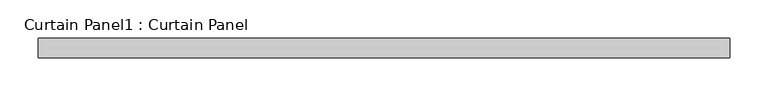
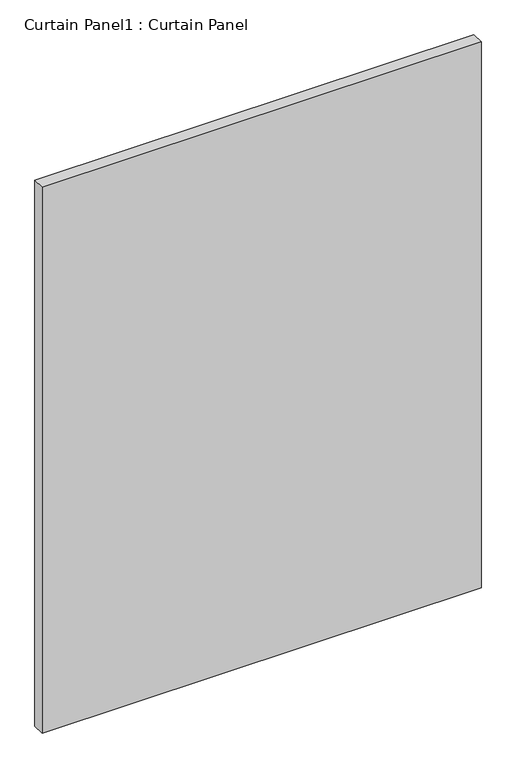
"""IFC4 building model written with IfcOpenShell, lengths in millimetres: plate geometry, Curtain Panel1 : Curtain Panel."""

from ifc_helpers import new_model, si_unit, frame, origin, place, context, project, spatial, polyline, outline, extrude, source, transform, mapped, element, save


def curtain_panel1_curtain_panel_081abf75(model_context):
    return source(origin(), model_context, "Body", "SweptSolid", [
        extrude(outline(polyline([(-24346.8596264, 9468.7682302), (-25251.7346264, 9468.7682302), (-25251.7346264, 9494.1682302), (-24346.8596264, 9494.1682302), (-24346.8596264, 9468.7682302)])), frame((0.0, 0.0, 2468.5515916), z_axis=(0.0, 0.0, 1.0), x_axis=(1.0, 0.0, 0.0)), (0.0, 0.0, 1.0), 1189.0484084),
    ])


if __name__ == "__main__":
    model = new_model("IFC4")
    model_context = context("Model", 3, world=origin())
    ifc_project = project(units=[si_unit("LENGTHUNIT", "METRE", prefix="MILLI")], contexts=[model_context])
    site = spatial("IfcSite", under=ifc_project)
    building = spatial("IfcBuilding", under=site)
    placement = place(None, origin())
    curtain_panel1_curtain_panel_shape = curtain_panel1_curtain_panel_081abf75(model_context)
    element("IfcPlate", 1, ObjectType="Curtain Panel1 : Curtain Panel", at=placement, inside=building, context=model_context, shape_type="MappedRepresentation", body=[
        mapped(curtain_panel1_curtain_panel_shape, transform((0.0, 0.0, 0.0), x_axis=(1.0, 0.0, 0.0), y_axis=(0.0, 1.0, 0.0), z_axis=(0.0, 0.0, 1.0))),
    ])
    save(model, "model.ifc")
